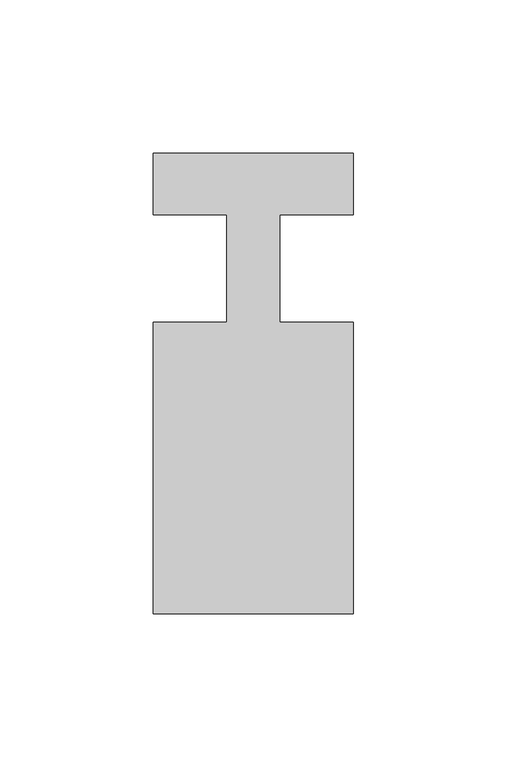
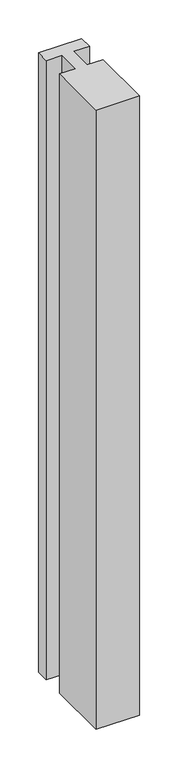
"""IFC4 building model written with IfcOpenShell, lengths in millimetres: member geometry."""

from ifc_helpers import new_model, si_unit, frame, origin, place, context, project, spatial, polyline, outline, extrude, source, transform, mapped, element, save


def member_78ee079b(model_context):
    return source(origin(), model_context, "Body", "SweptSolid", [
        extrude(outline(polyline([(0.0, 37.0), (0.0, 17.0), (-23.8125, 17.0), (-23.8125, -18.0), (0.0, -18.0), (0.0, -113.0), (-65.0, -113.0), (-65.0, -18.0), (-41.1875, -18.0), (-41.1875, 17.0), (-65.0, 17.0), (-65.0, 37.0), (0.0, 37.0)])), frame((0.0, 0.0, -981.6666667), z_axis=(0.0, 0.0, 1.0), x_axis=(1.0, 0.0, 0.0)), (0.0, 0.0, 1.0), 981.6666667),
    ])


if __name__ == "__main__":
    model = new_model("IFC4")
    model_context = context("Model", 3, world=origin())
    ifc_project = project(units=[si_unit("LENGTHUNIT", "METRE", prefix="MILLI")], contexts=[model_context])
    site = spatial("IfcSite", under=ifc_project)
    building = spatial("IfcBuilding", under=site)
    placement = place(None, origin())
    member_shape = member_78ee079b(model_context)
    element("IfcMember", 1, at=placement, inside=building, context=model_context, shape_type="MappedRepresentation", body=[
        mapped(member_shape, transform((0.0, 0.0, 0.0), x_axis=(1.0, 0.0, 0.0), y_axis=(0.0, 1.0, 0.0), z_axis=(0.0, 0.0, 1.0))),
    ])
    save(model, "model.ifc")
